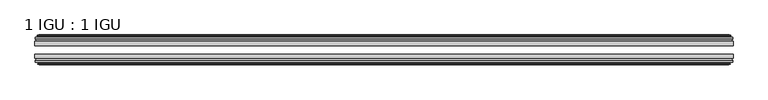
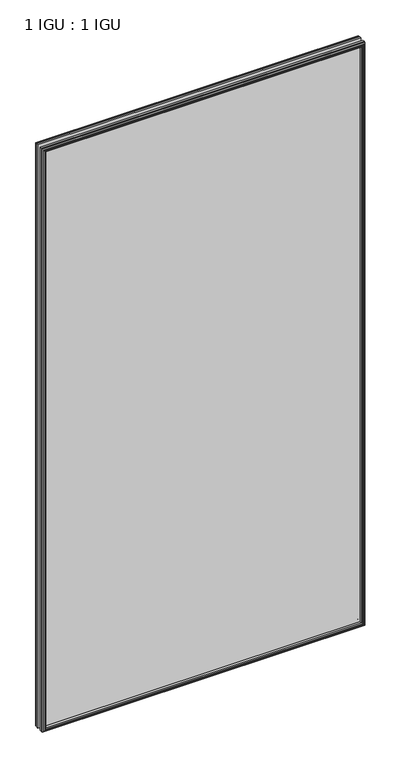
"""IFC4 building model written with IfcOpenShell, lengths in millimetres: plate geometry, 1 IGU : 1 IGU."""

from ifc_helpers import new_model, si_unit, frame, origin, place, context, project, spatial, polyline, outline, extrude, faceted_brep, source, transform, mapped, element, save


def plate_1_igu_1_igu_05cb8567(model_context):
    return source(origin(), model_context, "Body", "SolidModel", [
        extrude(outline(polyline([(529.6630168, -25.8960937), (529.6630168, -32.2460938), (-529.6630168, -32.2460938), (-529.6630168, -25.8960937), (529.6630168, -25.8960937)])), frame((0.0, 0.0, -12.7), z_axis=(0.0, 0.0, 1.0), x_axis=(1.0, 0.0, 0.0)), (0.0, 0.0, 1.0), 2019.3),
        extrude(outline(polyline([(-529.6630168, -51.2960938), (-529.6630168, -45.2686737), (529.6630168, -45.2686737), (529.6630168, -51.2960938), (-529.6630168, -51.2960938)])), frame((0.0, 0.0, -12.7), z_axis=(0.0, 0.0, 1.0), x_axis=(1.0, 0.0, 0.0)), (0.0, 0.0, 1.0), 2019.3),
        faceted_brep([(-524.0750168, -60.0262907, 2001.012), (-524.4560168, -57.6460937, 2001.393), (-524.4560168, -57.6460937, -7.493), (-524.0750168, -60.0262907, -7.112), (-525.4905458, -59.5663575, 2002.4275291), (-525.4905458, -59.5663575, -8.5275291), (-525.4905458, -60.3675717, 2002.4275291), (-525.4905458, -60.3675717, -8.5275291), (-523.3130168, -61.0750937, 2000.25), (-523.3130168, -61.0750937, -6.35), (-521.1354877, -60.3675717, 1998.072471), (-521.1354877, -60.3675717, -4.1724709), (-521.1354877, -59.5663575, 1998.072471), (-521.1354877, -59.5663575, -4.1724709), (-522.5510168, -60.0262907, 1999.488), (-522.5510168, -60.0262907, -5.588), (-522.1700168, -57.6460937, 1999.107), (-522.1700168, -57.6460937, -5.207), (-515.2452987, -51.2960937, 1992.1822819), (-516.9630168, -57.6460937, 1993.9), (-516.9630168, -57.6460937, 0.0), (-515.2452987, -51.2960937, 1.7177181), (-528.9010168, -54.6996937, 2005.838), (-526.0666746, -51.2960937, 2003.0036578), (-526.0666746, -51.2960937, -9.1036578), (-528.9010168, -54.6996937, -11.938), (-528.9010168, -57.6460937, 2005.838), (-528.9010168, -57.6460937, -11.938), (524.4560168, -57.6460938, -7.493), (524.0750168, -60.0262907, -7.112), (525.4905458, -59.5663575, -8.5275291), (525.4905458, -60.3675717, -8.5275291), (523.3130168, -61.0750937, -6.35), (521.1354877, -60.3675717, -4.1724709), (521.1354877, -59.5663575, -4.1724709), (522.5510168, -60.0262907, -5.588), (522.1700168, -57.6460937, -5.207), (516.9630168, -57.6460937, 0.0), (515.2452987, -51.2960937, 1.7177181), (526.0666746, -51.2960937, -9.1036578), (528.9010168, -54.6996937, -11.938), (528.9010168, -57.6460938, -11.938), (524.4560168, -57.6460938, 2001.393), (524.0750168, -60.0262907, 2001.012), (525.4905458, -59.5663575, 2002.4275291), (525.4905458, -60.3675717, 2002.4275291), (523.3130168, -61.0750937, 2000.25), (521.1354877, -60.3675717, 1998.072471), (521.1354877, -59.5663575, 1998.072471), (522.5510168, -60.0262907, 1999.488), (522.1700168, -57.6460937, 1999.107), (516.9630168, -57.6460937, 1993.9), (515.2452987, -51.2960937, 1992.1822819), (526.0666746, -51.2960937, 2003.0036578), (528.9010168, -54.6996937, 2005.838), (528.9010168, -57.6460938, 2005.838)], [[[0, 1, 2, 3]], [[4, 0, 3, 5]], [[6, 4, 5, 7]], [[8, 6, 7, 9]], [[10, 8, 9, 11]], [[12, 10, 11, 13]], [[14, 12, 13, 15]], [[16, 14, 15, 17]], [[18, 19, 20, 21]], [[22, 23, 24, 25]], [[26, 22, 25, 27]], [[3, 2, 28, 29]], [[5, 3, 29, 30]], [[7, 5, 30, 31]], [[9, 7, 31, 32]], [[11, 9, 32, 33]], [[13, 11, 33, 34]], [[15, 13, 34, 35]], [[17, 15, 35, 36]], [[21, 20, 37, 38]], [[25, 24, 39, 40]], [[27, 25, 40, 41]], [[29, 28, 42, 43]], [[30, 29, 43, 44]], [[31, 30, 44, 45]], [[32, 31, 45, 46]], [[33, 32, 46, 47]], [[34, 33, 47, 48]], [[35, 34, 48, 49]], [[36, 35, 49, 50]], [[38, 37, 51, 52]], [[40, 39, 53, 54]], [[41, 40, 54, 55]], [[27, 41, 55, 26], [1, 42, 28, 2]], [[43, 42, 1, 0]], [[44, 43, 0, 4]], [[45, 44, 4, 6]], [[46, 45, 6, 8]], [[47, 46, 8, 10]], [[48, 47, 10, 12]], [[49, 48, 12, 14]], [[50, 49, 14, 16]], [[17, 36, 50, 16], [19, 51, 37, 20]], [[52, 51, 19, 18]], [[23, 53, 39, 24], [21, 38, 52, 18]], [[54, 53, 23, 22]], [[55, 54, 22, 26]]]),
        faceted_brep([(-526.5873746, -25.8960937, 2003.5243578), (-529.4217168, -22.4924937, 2006.3587), (-529.4217168, -22.4924937, -12.4587), (-526.5873746, -25.8960937, -9.6243578), (-517.4837168, -19.5460937, 1994.4207), (-515.7659987, -25.8960937, 1992.7029819), (-515.7659987, -25.8960937, 1.1970181), (-517.4837168, -19.5460937, -0.5207), (-523.0717168, -17.1658968, 2000.0087), (-522.6907168, -19.5460937, 1999.6277), (-522.6907168, -19.5460937, -5.7277), (-523.0717168, -17.1658968, -6.1087), (-521.6561877, -17.62583, 1998.593171), (-521.6561877, -17.62583, -4.6931709), (-521.6561877, -16.8246158, 1998.593171), (-521.6561877, -16.8246158, -4.6931709), (-523.8337168, -16.1170937, 2000.7707), (-523.8337168, -16.1170937, -6.8707), (-526.0112458, -16.8246158, 2002.9482291), (-526.0112458, -16.8246158, -9.0482291), (-526.0112458, -17.62583, 2002.9482291), (-526.0112458, -17.62583, -9.0482291), (-524.5957168, -17.1658968, 2001.5327), (-524.5957168, -17.1658968, -7.6327), (-524.9767168, -19.5460937, 2001.9137), (-524.9767168, -19.5460937, -8.0137), (-529.4217168, -19.5460937, 2006.3587), (-529.4217168, -19.5460937, -12.4587), (529.4217168, -22.4924937, -12.4587), (526.5873746, -25.8960937, -9.6243578), (515.7659987, -25.8960937, 1.1970181), (517.4837168, -19.5460937, -0.5207), (522.6907168, -19.5460937, -5.7277), (523.0717168, -17.1658968, -6.1087), (521.6561877, -17.62583, -4.6931709), (521.6561877, -16.8246158, -4.6931709), (523.8337168, -16.1170937, -6.8707), (526.0112458, -16.8246158, -9.0482291), (526.0112458, -17.62583, -9.0482291), (524.5957168, -17.1658968, -7.6327), (524.9767168, -19.5460937, -8.0137), (529.4217168, -19.5460937, -12.4587), (529.4217168, -22.4924937, 2006.3587), (526.5873746, -25.8960937, 2003.5243578), (515.7659987, -25.8960937, 1992.7029819), (517.4837168, -19.5460937, 1994.4207), (522.6907168, -19.5460937, 1999.6277), (523.0717168, -17.1658968, 2000.0087), (521.6561877, -17.62583, 1998.593171), (521.6561877, -16.8246158, 1998.593171), (523.8337168, -16.1170937, 2000.7707), (526.0112458, -16.8246158, 2002.9482291), (526.0112458, -17.62583, 2002.9482291), (524.5957168, -17.1658968, 2001.5327), (524.9767168, -19.5460937, 2001.9137), (529.4217168, -19.5460937, 2006.3587)], [[[0, 1, 2, 3]], [[4, 5, 6, 7]], [[8, 9, 10, 11]], [[12, 8, 11, 13]], [[14, 12, 13, 15]], [[16, 14, 15, 17]], [[18, 16, 17, 19]], [[20, 18, 19, 21]], [[22, 20, 21, 23]], [[24, 22, 23, 25]], [[1, 26, 27, 2]], [[3, 2, 28, 29]], [[7, 6, 30, 31]], [[11, 10, 32, 33]], [[13, 11, 33, 34]], [[15, 13, 34, 35]], [[17, 15, 35, 36]], [[19, 17, 36, 37]], [[21, 19, 37, 38]], [[23, 21, 38, 39]], [[25, 23, 39, 40]], [[2, 27, 41, 28]], [[29, 28, 42, 43]], [[31, 30, 44, 45]], [[33, 32, 46, 47]], [[34, 33, 47, 48]], [[35, 34, 48, 49]], [[36, 35, 49, 50]], [[37, 36, 50, 51]], [[38, 37, 51, 52]], [[39, 38, 52, 53]], [[40, 39, 53, 54]], [[28, 41, 55, 42]], [[43, 42, 1, 0]], [[3, 29, 43, 0], [5, 44, 30, 6]], [[45, 44, 5, 4]], [[9, 46, 32, 10], [7, 31, 45, 4]], [[47, 46, 9, 8]], [[48, 47, 8, 12]], [[49, 48, 12, 14]], [[50, 49, 14, 16]], [[51, 50, 16, 18]], [[52, 51, 18, 20]], [[53, 52, 20, 22]], [[54, 53, 22, 24]], [[26, 55, 41, 27], [25, 40, 54, 24]], [[42, 55, 26, 1]]]),
    ])


if __name__ == "__main__":
    model = new_model("IFC4")
    model_context = context("Model", 3, world=origin())
    ifc_project = project(units=[si_unit("LENGTHUNIT", "METRE", prefix="MILLI")], contexts=[model_context])
    site = spatial("IfcSite", under=ifc_project)
    building = spatial("IfcBuilding", under=site)
    placement = place(None, origin())
    plate_1_igu_1_igu_shape = plate_1_igu_1_igu_05cb8567(model_context)
    element("IfcPlate", 1, ObjectType="1 IGU : 1 IGU", at=placement, inside=building, context=model_context, shape_type="MappedRepresentation", body=[
        mapped(plate_1_igu_1_igu_shape, transform((0.0, 0.0, 0.0), x_axis=(1.0, 0.0, 0.0), y_axis=(0.0, 1.0, 0.0), z_axis=(0.0, 0.0, 1.0))),
    ])
    save(model, "model.ifc")
